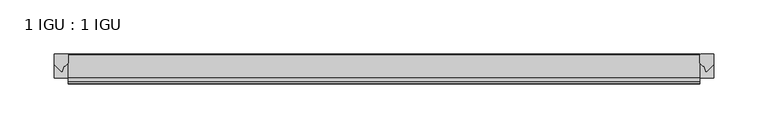
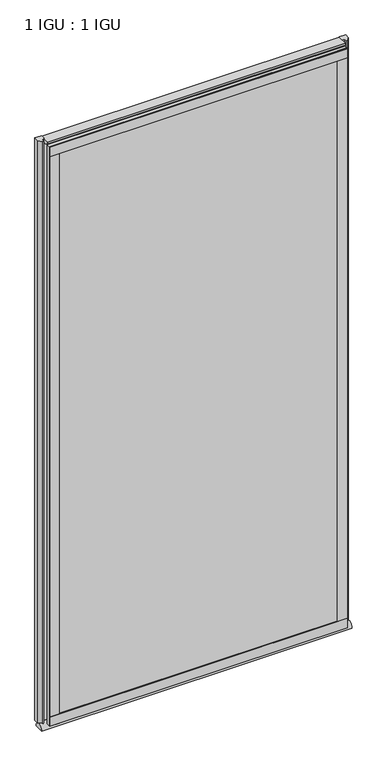
"""IFC4 building model written with IfcOpenShell, lengths in millimetres: plate geometry, 1 IGU : 1 IGU."""

from ifc_helpers import new_model, si_unit, point, frame, frame_2d, origin, place, context, project, spatial, polyline, circle_curve, ellipse_curve, trimmed, segment, composite_curve, outline, extrude, source, transform, mapped, element, save
from ifc_brep_helpers import plane_surface, cylinder_surface, revolved_surface, extruded_surface, advanced_brep


def plate_1_igu_1_igu_ea9fb286(model_context):
    return source(origin(), model_context, "Body", "SolidModel", [
        extrude(outline(polyline([(292.1, -11.6085937), (292.1, -18.8576359), (-292.1, -18.8576359), (-292.1, -11.6085937), (292.1, -11.6085937)])), frame((0.0, 0.0, -19.05), z_axis=(0.0, 0.0, 1.0), x_axis=(1.0, 0.0, 0.0)), (0.0, 0.0, 1.0), 1200.15),
        extrude(outline(polyline([(-292.1, -30.7093937), (292.1, -30.7093937), (292.1, -37.0085937), (-292.1, -37.0085937), (-292.1, -30.7093937)])), frame((0.0, 0.0, -19.05), z_axis=(0.0, 0.0, 1.0), x_axis=(1.0, 0.0, 0.0)), (0.0, 0.0, 1.0), 1200.15),
        advanced_brep(
        [(304.8, -33.6472189, -28.575), (304.8, -14.9699686, -28.575), (-304.8, -33.6472189, -28.575), (-304.8, -14.9699686, -28.575)],
        [
            (0, 1),
            (1, 0, ellipse_curve(frame((304.8, -24.3085937, -28.575), z_axis=(1.0, 0.0, 0.0), x_axis=(0.0, 0.0, 1.0)), 10.6973372, 9.3386252)),
            (2, 3, ellipse_curve(frame((-304.8, -24.3085937, -28.575), z_axis=(-1.0, 0.0, 0.0), x_axis=(0.0, 0.0, 1.0)), 10.6973372, 9.3386252)),
            (3, 2),
            (0, 2),
            (3, 1),
        ],
        [
            plane_surface(frame((304.8, -9.2273438, -28.575), z_axis=(1.0, 0.0, 0.0), x_axis=(0.0, 1.0, 0.0))),
            plane_surface(frame((-304.8, -9.2273437, -28.575), z_axis=(-1.0, 0.0, 0.0), x_axis=(0.0, 1.0, 0.0))),
            plane_surface(frame((304.8, -33.6472189, -28.575), z_axis=(0.0, 0.0, -1.0), x_axis=(-1.0, 0.0, 0.0))),
            extruded_surface(trimmed(ellipse_curve(frame((-304.8, -24.3085937, -28.575), z_axis=(1.0, 0.0, 0.0), x_axis=(0.0, 0.0, 1.0)), 10.6973372, 9.3386252), [point((-304.8, -14.9699686, -28.575))], [point((-304.8, -33.6472189, -28.575))], True, "CARTESIAN"), (609.6, 0.0, 0.0), 609.6),
        ],
        [
            (0, [[1, 2]]),
            (1, [[3, 4]]),
            (2, [[-1, 5, -4, 6]]),
            (3, [[-2, -6, -3, -5]]),
        ],
    ),
        extrude(outline(composite_curve([segment(polyline([(305.1779091, -11.6101465), (304.8, -21.3502133), (298.8619467, -27.6095865)]), True, "CONTINUOUS"), segment(trimmed(circle_curve(frame_2d((298.1891407, -27.2518492)), 0.762), [point((298.8619467, -27.6095865))], [point((297.4604364, -27.4746364))], False, "CARTESIAN"), True, "CONTINUOUS"), segment(polyline([(297.4604364, -27.4746364), (296.1986019, -23.3488397)]), True, "CONTINUOUS"), segment(trimmed(circle_curve(frame_2d((298.380559, -16.3834724)), 7.2991286), [point((296.1986019, -23.3488397))], [point((292.1001786, -20.1028944))], False, "CARTESIAN"), True, "CONTINUOUS"), segment(polyline([(292.1001786, -20.1028944), (292.1001786, -12.664425)]), True, "CONTINUOUS"), segment(trimmed(circle_curve(frame_2d((298.3814331, -16.3827796)), 7.2993369), [point((292.1001786, -12.664425))], [point((292.858545, -11.6101465))], False, "CARTESIAN"), True, "CONTINUOUS"), segment(polyline([(292.858545, -11.6101465), (305.1779091, -11.6101465)]), True, "CONTINUOUS")], self_intersect=False)), frame((0.0, 0.0, -19.05), z_axis=(0.0, 0.0, 1.0), x_axis=(1.0, 0.0, 0.0)), (0.0, 0.0, 1.0), 1207.2874),
        extrude(outline(composite_curve([segment(polyline([(-292.1, -11.610702), (-292.1, -20.1014769)]), True, "CONTINUOUS"), segment(trimmed(circle_curve(frame_2d((-298.3811943, -16.3829847)), 7.2993552), [point((-292.1, -20.1014769))], [point((-296.1989498, -23.3484994))], False, "CARTESIAN"), True, "CONTINUOUS"), segment(polyline([(-296.1989498, -23.3484994), (-297.4604364, -27.4746364)]), True, "CONTINUOUS"), segment(trimmed(circle_curve(frame_2d((-298.1891407, -27.2518492)), 0.762), [point((-297.4604364, -27.4746364))], [point((-298.8619467, -27.6095865))], False, "CARTESIAN"), True, "CONTINUOUS"), segment(polyline([(-298.8619467, -27.6095865), (-304.8, -21.3502133), (-305.1779091, -11.610702), (-292.1, -11.610702)]), True, "CONTINUOUS")], self_intersect=False)), frame((0.0, 0.0, -19.05), z_axis=(0.0, 0.0, 1.0), x_axis=(1.0, 0.0, 0.0)), (0.0, 0.0, 1.0), 1207.2874),
        extrude(outline(polyline([(-292.1, -39.2945937), (-292.1, -37.0085937), (292.1, -37.0085937), (292.1, -39.2945937), (-292.1, -39.2945937)])), frame((0.0, 0.0, -19.05), z_axis=(0.0, 0.0, 1.0), x_axis=(1.0, 0.0, 0.0)), (0.0, 0.0, 1.0), 19.05),
        advanced_brep(
        [(-292.1, -24.3085937, 1179.9276628), (-292.1, -33.4116395, 1188.2374), (-292.1, -12.7165288, 1188.2374), (-292.1, -11.6085937, 1181.1), (-292.1, -17.9077937, 1181.1), (292.1, -24.3085937, 1179.9276628), (292.1, -17.9077937, 1181.1), (292.1, -11.6085937, 1181.1), (292.1, -12.7165288, 1188.2374), (292.1, -33.4116395, 1188.2374)],
        [
            (0, 1, ellipse_curve(frame((-292.1, -24.3085937, 1190.625), z_axis=(-1.0, 0.0, 0.0), x_axis=(0.0, 0.0, -1.0)), 10.6973372, 9.3386252)),
            (1, 2),
            (2, 3, circle_curve(frame((-292.1, 26.2083666, 1190.625), z_axis=(1.0, 0.0, 0.0), x_axis=(0.0, 0.0, -1.0)), 38.9980527)),
            (3, 4),
            (4, 0, circle_curve(frame((-292.1, -24.3085937, 1197.9875763), z_axis=(-1.0, 0.0, 0.0), x_axis=(0.0, 0.0, -1.0)), 18.0599135)),
            (5, 6, circle_curve(frame((292.1, -24.3085937, 1197.9875763), z_axis=(1.0, 0.0, 0.0), x_axis=(0.0, 0.0, -1.0)), 18.0599135)),
            (6, 7),
            (7, 8, circle_curve(frame((292.1, 26.2083666, 1190.625), z_axis=(-1.0, 0.0, 0.0), x_axis=(0.0, 0.0, -1.0)), 38.9980527)),
            (8, 9),
            (9, 5, ellipse_curve(frame((292.1, -24.3085937, 1190.625), z_axis=(1.0, 0.0, 0.0), x_axis=(0.0, 0.0, -1.0)), 10.6973372, 9.3386252)),
            (0, 5),
            (9, 1),
            (8, 2),
            (7, 3),
            (6, 4),
        ],
        [
            plane_surface(frame((-292.1, -9.2273437, 1190.625), z_axis=(-1.0, 0.0, 0.0), x_axis=(0.0, 1.0, 0.0))),
            plane_surface(frame((292.1, -9.2273438, 1190.625), z_axis=(1.0, 0.0, 0.0), x_axis=(0.0, 1.0, 0.0))),
            extruded_surface(trimmed(ellipse_curve(frame((292.1, -24.3085937, 1190.625), z_axis=(-1.0, 0.0, 0.0), x_axis=(0.0, 0.0, -1.0)), 10.6973372, 9.3386252), [point((292.1, -24.3085937, 1179.9276628))], [point((292.1, -33.4116395, 1188.2374))], True, "CARTESIAN"), (-584.2, 0.0, 0.0), 584.2),
            plane_surface(frame((-292.1, -33.4116395, 1188.2374), z_axis=(0.0, 0.0, 1.0), x_axis=(1.0, 0.0, 0.0))),
            revolved_surface(polyline([(292.1, 26.2083666, 1151.6269473), (-292.1, 26.2083666, 1151.6269473)]), (-292.1, 26.2083666, 1190.625), (1.0, 0.0, 0.0)),
            plane_surface(frame((-292.1, -11.6085937, 1181.1), z_axis=(0.0, 0.0, -1.0), x_axis=(1.0, 0.0, 0.0))),
            cylinder_surface(frame((-292.1, -24.3085937, 1197.9875763), z_axis=(-1.0, 0.0, 0.0), x_axis=(0.0, 0.0, -1.0)), 18.0599135),
        ],
        [
            (0, [[1, 2, 3, 4, 5]]),
            (1, [[6, 7, 8, 9, 10]]),
            (2, [[-1, 11, -10, 12]]),
            (3, [[-2, -12, -9, 13]]),
            (4, [[-3, -13, -8, 14]]),
            (5, [[-4, -14, -7, 15]]),
            (6, [[-5, -15, -6, -11]]),
        ],
    ),
        extrude(outline(polyline([(-292.1, -39.2945937), (-292.1, -37.0085937), (292.1, -37.0085937), (292.1, -39.2945937), (-292.1, -39.2945937)])), frame((0.0, 0.0, 1162.05), z_axis=(0.0, 0.0, 1.0), x_axis=(1.0, 0.0, 0.0)), (0.0, 0.0, 1.0), 19.05),
        extrude(outline(polyline([(273.05, -37.0085937), (292.1, -37.0085937), (292.1, -39.2945938), (273.05, -39.2945938), (273.05, -37.0085937)])), frame((0.0, 0.0, -19.05), z_axis=(0.0, 0.0, 1.0), x_axis=(1.0, 0.0, 0.0)), (0.0, 0.0, 1.0), 1200.15),
        extrude(outline(polyline([(-292.1, -39.2945937), (-292.1, -37.0085937), (-273.05, -37.0085937), (-273.05, -39.2945937), (-292.1, -39.2945937)])), frame((0.0, 0.0, -19.05), z_axis=(0.0, 0.0, 1.0), x_axis=(1.0, 0.0, 0.0)), (0.0, 0.0, 1.0), 1200.15),
    ])


if __name__ == "__main__":
    model = new_model("IFC4")
    model_context = context("Model", 3, world=origin())
    ifc_project = project(units=[si_unit("LENGTHUNIT", "METRE", prefix="MILLI")], contexts=[model_context])
    site = spatial("IfcSite", under=ifc_project)
    building = spatial("IfcBuilding", under=site)
    placement = place(None, origin())
    plate_1_igu_1_igu_shape = plate_1_igu_1_igu_ea9fb286(model_context)
    element("IfcPlate", 1, ObjectType="1 IGU : 1 IGU", at=placement, inside=building, context=model_context, shape_type="MappedRepresentation", body=[
        mapped(plate_1_igu_1_igu_shape, transform((0.0, 0.0, 0.0), x_axis=(1.0, 0.0, 0.0), y_axis=(0.0, 1.0, 0.0), z_axis=(0.0, 0.0, 1.0))),
    ])
    save(model, "model.ifc")
